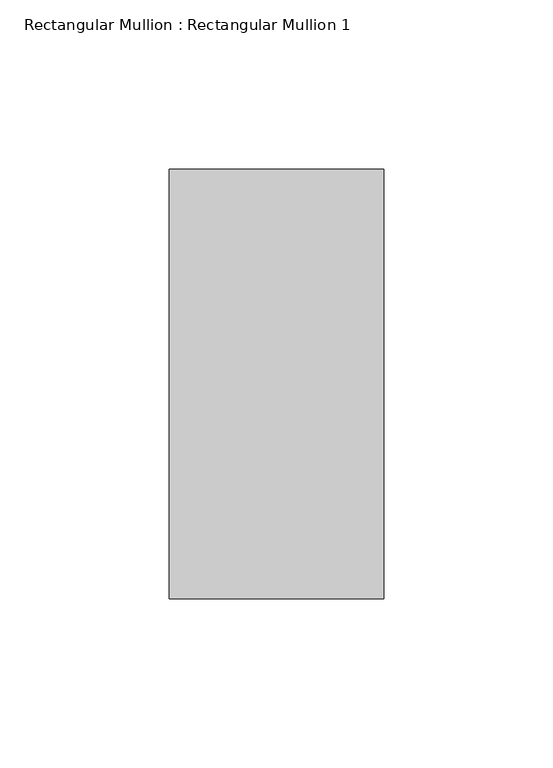
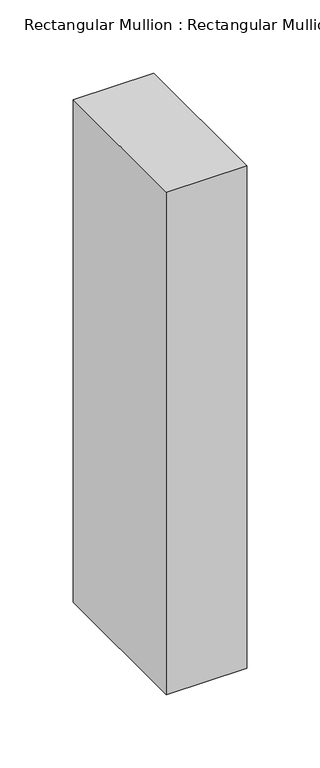
"""IFC4 building model written with IfcOpenShell, lengths in millimetres: member geometry, Rectangular Mullion : Rectangular Mullion 1."""

from ifc_helpers import new_model, si_unit, frame, origin, place, context, project, spatial, polyline, outline, extrude, source, transform, mapped, element, save


def rectangular_mullion_rectangular_mullion_1_2184cecb(model_context):
    return source(origin(), model_context, "Body", "SweptSolid", [
        extrude(outline(polyline([(31.75, 63.5), (31.75, -63.5), (-31.75, -63.5), (-31.75, 63.5), (31.75, 63.5)])), frame((0.0, 0.0, -419.1), z_axis=(0.0, 0.0, 1.0), x_axis=(1.0, 0.0, 0.0)), (0.0, 0.0, 1.0), 419.1),
    ])


if __name__ == "__main__":
    model = new_model("IFC4")
    model_context = context("Model", 3, world=origin())
    ifc_project = project(units=[si_unit("LENGTHUNIT", "METRE", prefix="MILLI")], contexts=[model_context])
    site = spatial("IfcSite", under=ifc_project)
    building = spatial("IfcBuilding", under=site)
    placement = place(None, origin())
    rectangular_mullion_rectangular_mullion_1_shape = rectangular_mullion_rectangular_mullion_1_2184cecb(model_context)
    element("IfcMember", 1, ObjectType="Rectangular Mullion : Rectangular Mullion 1", at=placement, inside=building, context=model_context, shape_type="MappedRepresentation", body=[
        mapped(rectangular_mullion_rectangular_mullion_1_shape, transform((0.0, 0.0, 0.0), x_axis=(1.0, 0.0, 0.0), y_axis=(0.0, 1.0, 0.0), z_axis=(0.0, 0.0, 1.0))),
    ])
    save(model, "model.ifc")
